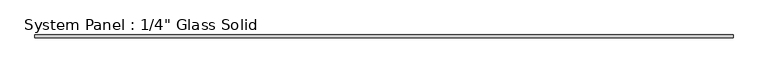
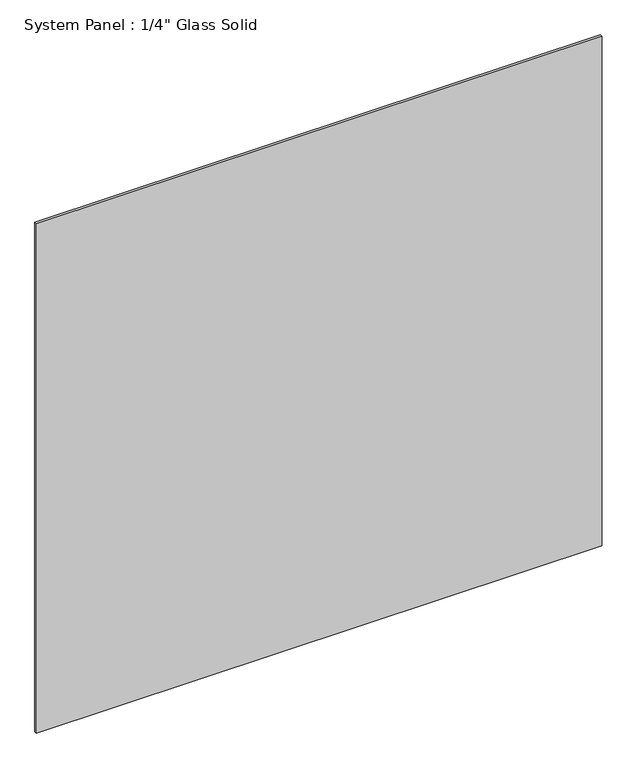
"""IFC4 building model written with IfcOpenShell, lengths in millimetres: plate geometry."""

import ifcopenshell
import ifcopenshell.guid

model = None  # the IFC model being written
_history = None  # IfcOwnerHistory: only IFC2X3 demands one
_inside = {}  # id of a spatial element -> (the spatial element, [elements in it])
_under = {}  # id of a project, library or spatial element -> (it, [spatial elements below it])
_declared = {}  # id of a project -> (the project, [libraries it declares])
_typed = {}  # id of a type object -> (the type object, [elements of that type])
_made_of = {}  # id of a material, layer set ... -> (it, [elements and type objects made of it])


def new_model(schema):
    """Start an empty IFC model of exactly this schema.

    Asked for "IFC4X3", IfcOpenShell would pick the latest addendum, in which some entities
    have other attributes; the version numbers below select the first issue.
    IFC2X3 requires an IfcOwnerHistory on every rooted entity: one is made here for all.
    """
    global model, _history
    if schema == "IFC4X3":
        model = ifcopenshell.file(schema_version=(4, 3, 0, 0))
    else:
        model = ifcopenshell.file(schema=schema)
    _inside.clear()
    _under.clear()
    _declared.clear()
    _typed.clear()
    _made_of.clear()
    _history = None
    if model.schema == "IFC2X3":
        org = make("IfcOrganization", Name="unknown")
        user = make(
            "IfcPersonAndOrganization",
            ThePerson=make("IfcPerson", FamilyName="unknown"),
            TheOrganization=org,
        )
        app = make(
            "IfcApplication",
            ApplicationDeveloper=org,
            Version="unknown",
            ApplicationFullName="unknown",
            ApplicationIdentifier="unknown",
        )
        _history = make(
            "IfcOwnerHistory",
            OwningUser=user,
            OwningApplication=app,
            ChangeAction="ADDED",
            CreationDate=0,
        )
    return model


def make(cls, **values):
    """One entity of the class cls with the attributes given. An attribute that is None is left unset."""
    return model.create_entity(
        cls, **{name: value for name, value in values.items() if value is not None}
    )


def rooted(cls, **values):
    """An entity with a GlobalId (a new one), such as an element, a storey or a relation."""
    return make(cls, GlobalId=ifcopenshell.guid.new(), OwnerHistory=_history, **values)


def si_unit(unit_type, name, prefix=None):
    """IfcSIUnit, for example si_unit("LENGTHUNIT", "METRE", prefix="MILLI")."""
    return make("IfcSIUnit", UnitType=unit_type, Prefix=prefix, Name=name)


def assignment(units):
    """IfcUnitAssignment: the units of a project."""
    return None if units is None else make("IfcUnitAssignment", Units=units)


def point(xyz):
    """IfcCartesianPoint."""
    return None if xyz is None else make("IfcCartesianPoint", Coordinates=xyz)


def direction(xyz):
    """IfcDirection."""
    return None if xyz is None else make("IfcDirection", DirectionRatios=xyz)


def frame(location, z_axis=None, x_axis=None):
    """IfcAxis2Placement3D, a coordinate frame: its origin and axes. An axis left out is left unset."""
    return make(
        "IfcAxis2Placement3D",
        Location=point(location),
        Axis=direction(z_axis),
        RefDirection=direction(x_axis),
    )


def origin():
    """The frame at (0, 0, 0) with its axes left unset."""
    return frame((0.0, 0.0, 0.0))


def origin_with_axes():
    """The frame at (0, 0, 0) with the z axis (0, 0, 1) and the x axis (1, 0, 0) written out."""
    return frame((0.0, 0.0, 0.0), z_axis=(0.0, 0.0, 1.0), x_axis=(1.0, 0.0, 0.0))


def place(relative_to, where):
    """IfcLocalPlacement: puts the frame where relative to a parent placement (None: the world)."""
    return make(
        "IfcLocalPlacement", PlacementRelTo=relative_to, RelativePlacement=where
    )


def context(
    kind, dimensions, precision=None, world=None, true_north=None, identifier=None
):
    """IfcGeometricRepresentationContext, for example the 3D "Model" context."""
    return make(
        "IfcGeometricRepresentationContext",
        ContextIdentifier=identifier,
        ContextType=kind,
        CoordinateSpaceDimension=dimensions,
        Precision=precision,
        WorldCoordinateSystem=world,
        TrueNorth=true_north,
    )


def project(units=None, contexts=None):
    """IfcProject with its units and contexts."""
    return rooted(
        "IfcProject",
        Name="project",
        RepresentationContexts=contexts,
        UnitsInContext=assignment(units),
    )


def spatial(cls, under=None, at=None, **own):
    """A site, building, storey or space (cls), placed at a placement, below another one or the project."""
    s = rooted(cls, ObjectPlacement=at, **own)
    if under is not None:
        _under.setdefault(under.id(), (under, []))[1].append(s)
    return s


def polyline(points):
    """IfcPolyline through the points."""
    return make("IfcPolyline", Points=[point(p) for p in points])


def outline(outer, holes=None, kind="AREA"):
    """IfcArbitraryClosedProfileDef: a profile drawn as a closed curve; with holes, ...WithVoids."""
    if holes is None:
        return make("IfcArbitraryClosedProfileDef", ProfileType=kind, OuterCurve=outer)
    return make(
        "IfcArbitraryProfileDefWithVoids",
        ProfileType=kind,
        OuterCurve=outer,
        InnerCurves=holes,
    )


def extrude(swept, where, along, depth):
    """IfcExtrudedAreaSolid: the profile swept, set in the frame where, extruded along a direction by depth."""
    return make(
        "IfcExtrudedAreaSolid",
        SweptArea=swept,
        Position=where,
        ExtrudedDirection=direction(along),
        Depth=depth,
    )


def shape(context_of_items, identifier, shape_type, items):
    """IfcShapeRepresentation: the items that make up one representation, for example the "Body"."""
    return make(
        "IfcShapeRepresentation",
        ContextOfItems=context_of_items,
        RepresentationIdentifier=identifier,
        RepresentationType=shape_type,
        Items=items,
    )


def source(mapping_origin, context_of_items, identifier, shape_type, items):
    """IfcRepresentationMap: a shape defined once, which mapped items show again and again."""
    return make(
        "IfcRepresentationMap",
        MappingOrigin=mapping_origin,
        MappedRepresentation=shape(context_of_items, identifier, shape_type, items),
    )


def transform(
    local_origin,
    x_axis=None,
    y_axis=None,
    z_axis=None,
    scale=None,
    scale2=None,
    scale3=None,
    uniform=True,
):
    """IfcCartesianTransformationOperator3D, or its non-uniform kind. x_axis, y_axis, z_axis: its Axis1, 2, 3."""
    if uniform:
        return make(
            "IfcCartesianTransformationOperator3D",
            Axis1=direction(x_axis),
            Axis2=direction(y_axis),
            LocalOrigin=point(local_origin),
            Scale=scale,
            Axis3=direction(z_axis),
        )
    return make(
        "IfcCartesianTransformationOperator3DnonUniform",
        Axis1=direction(x_axis),
        Axis2=direction(y_axis),
        LocalOrigin=point(local_origin),
        Scale=scale,
        Axis3=direction(z_axis),
        Scale2=scale2,
        Scale3=scale3,
    )


def mapped(mapping_source, mapping_target):
    """IfcMappedItem: shows the shape of a source again, moved by a transform."""
    return make(
        "IfcMappedItem", MappingSource=mapping_source, MappingTarget=mapping_target
    )


def made_of(thing, what):
    """Note that an element or type object is made of a material, layer set ...; save() writes the relation."""
    if what is not None:
        _made_of.setdefault(what.id(), (what, []))[1].append(thing)
    return thing


def element(
    cls,
    number,
    at=None,
    inside=None,
    cuts=None,
    type_object=None,
    material=None,
    context=None,
    identifier="Body",
    shape_type=None,
    held_by="IfcProductDefinitionShape",
    body=None,
    shapes=None,
    **own,
):
    """One element of the class cls, such as IfcWall. Its Tag is "e" and its number.

    at: its placement. inside: the storey or other place that contains it. cuts: it is an
    opening in that element (IfcRelVoidsElement). A single representation is given by context,
    identifier, shape_type and body (its items); several are given by shapes. held_by: the class
    of the entity that holds the representations. save() writes the other relations.
    """
    e = rooted(cls, Tag="e%d" % number, ObjectPlacement=at, **own)
    if body is not None:
        shapes = [shape(context, identifier, shape_type, body)]
    if shapes is not None:
        e.Representation = make(held_by, Representations=shapes)
    if inside is not None:
        _inside.setdefault(inside.id(), (inside, []))[1].append(e)
    if cuts is not None:
        rooted(
            "IfcRelVoidsElement", RelatingBuildingElement=cuts, RelatedOpeningElement=e
        )
    if type_object is not None:
        _typed.setdefault(type_object.id(), (type_object, []))[1].append(e)
    return made_of(e, material)


def aggregate(whole, parts):
    """IfcRelAggregates: a whole, such as a stair, and the parts it consists of."""
    return rooted("IfcRelAggregates", RelatingObject=whole, RelatedObjects=parts)


def save(model, path):
    """Write the relations noted so far, then the file.

    IfcRelAggregates (storeys below a building ...), IfcRelContainedInSpatialStructure (elements
    in a storey), IfcRelDefinesByType, IfcRelAssociatesMaterial and IfcRelDeclares: one each for
    every whole, place, type object, material and project.
    """
    for whole, parts in _under.values():
        aggregate(whole, parts)
    for where, things in _inside.values():
        rooted(
            "IfcRelContainedInSpatialStructure",
            RelatedElements=things,
            RelatingStructure=where,
        )
    for kind, things in _typed.values():
        rooted("IfcRelDefinesByType", RelatedObjects=things, RelatingType=kind)
    for what, things in _made_of.values():
        rooted("IfcRelAssociatesMaterial", RelatedObjects=things, RelatingMaterial=what)
    for by, libraries in _declared.values():
        rooted("IfcRelDeclares", RelatingContext=by, RelatedDefinitions=libraries)
    model.write(path)


def plate_dfb9a8e1(model_context):
    return source(origin(), model_context, "Body", "SweptSolid", [
        extrude(outline(polyline([(737.6592185, -3.175), (-737.6592185, -3.175), (-737.6592185, 3.175), (737.6592185, 3.175), (737.6592185, -3.175)])), origin_with_axes(), (0.0, 0.0, 1.0), 1404.0991382),
    ])


if __name__ == "__main__":
    model = new_model("IFC4")
    model_context = context("Model", 3, world=origin())
    ifc_project = project(units=[si_unit("LENGTHUNIT", "METRE", prefix="MILLI")], contexts=[model_context])
    site = spatial("IfcSite", under=ifc_project)
    building = spatial("IfcBuilding", under=site)
    placement = place(None, origin())
    plate_shape = plate_dfb9a8e1(model_context)
    element("IfcPlate", 1, ObjectType="System Panel : 1/4\" Glass Solid", at=placement, inside=building, context=model_context, shape_type="MappedRepresentation", body=[
        mapped(plate_shape, transform((0.0, 0.0, 0.0), x_axis=(1.0, 0.0, 0.0), y_axis=(0.0, 1.0, 0.0), z_axis=(0.0, 0.0, 1.0))),
    ])
    save(model, "model.ifc")
